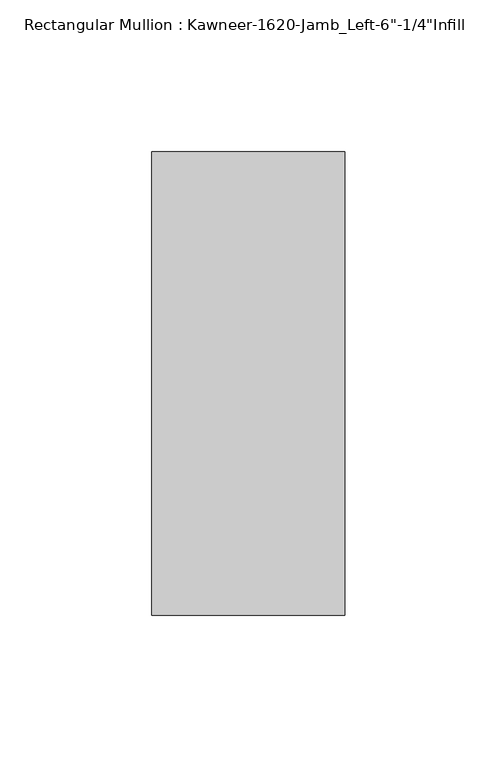
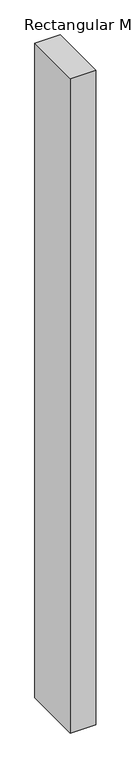
"""IFC4 building model written with IfcOpenShell, lengths in millimetres: member geometry."""

from ifc_helpers import new_model, si_unit, frame, origin, place, context, project, spatial, polyline, outline, extrude, source, transform, mapped, element, save


def member_da5d7431(model_context):
    return source(origin(), model_context, "Body", "SweptSolid", [
        extrude(outline(polyline([(22.225, 28.575), (22.225, -123.825), (-41.275, -123.825), (-41.275, 28.575), (22.225, 28.575)])), frame((0.0, 0.0, -1720.85), z_axis=(0.0, 0.0, 1.0), x_axis=(1.0, 0.0, 0.0)), (0.0, 0.0, 1.0), 1720.85),
    ])


if __name__ == "__main__":
    model = new_model("IFC4")
    model_context = context("Model", 3, world=origin())
    ifc_project = project(units=[si_unit("LENGTHUNIT", "METRE", prefix="MILLI")], contexts=[model_context])
    site = spatial("IfcSite", under=ifc_project)
    building = spatial("IfcBuilding", under=site)
    placement = place(None, origin())
    member_shape = member_da5d7431(model_context)
    element("IfcMember", 1, ObjectType="Rectangular Mullion : Kawneer-1620-Jamb_Left-6\"-1/4\"Infill", at=placement, inside=building, context=model_context, shape_type="MappedRepresentation", body=[
        mapped(member_shape, transform((0.0, 0.0, 0.0), x_axis=(1.0, 0.0, 0.0), y_axis=(0.0, 1.0, 0.0), z_axis=(0.0, 0.0, 1.0))),
    ])
    save(model, "model.ifc")
